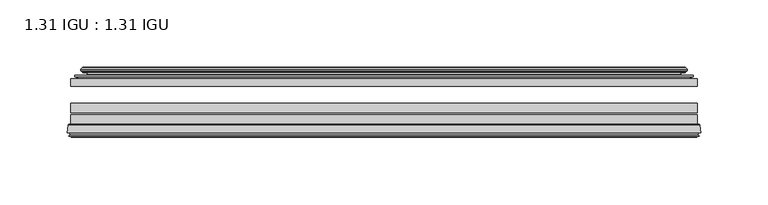
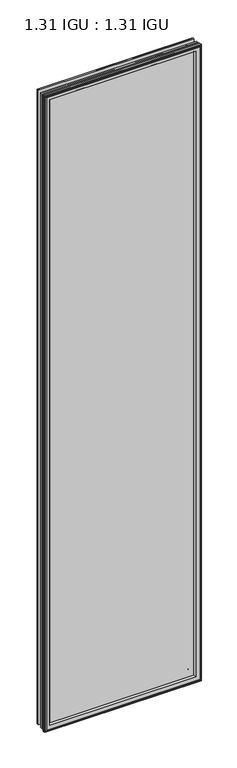
"""IFC4 building model written with IfcOpenShell, lengths in millimetres: plate geometry, 1.31 IGU : 1.31 IGU."""

import ifcopenshell
import ifcopenshell.guid

model = None  # the IFC model being written
_history = None  # IfcOwnerHistory: only IFC2X3 demands one
_inside = {}  # id of a spatial element -> (the spatial element, [elements in it])
_under = {}  # id of a project, library or spatial element -> (it, [spatial elements below it])
_declared = {}  # id of a project -> (the project, [libraries it declares])
_typed = {}  # id of a type object -> (the type object, [elements of that type])
_made_of = {}  # id of a material, layer set ... -> (it, [elements and type objects made of it])


def new_model(schema):
    """Start an empty IFC model of exactly this schema.

    Asked for "IFC4X3", IfcOpenShell would pick the latest addendum, in which some entities
    have other attributes; the version numbers below select the first issue.
    IFC2X3 requires an IfcOwnerHistory on every rooted entity: one is made here for all.
    """
    global model, _history
    if schema == "IFC4X3":
        model = ifcopenshell.file(schema_version=(4, 3, 0, 0))
    else:
        model = ifcopenshell.file(schema=schema)
    _inside.clear()
    _under.clear()
    _declared.clear()
    _typed.clear()
    _made_of.clear()
    _history = None
    if model.schema == "IFC2X3":
        org = make("IfcOrganization", Name="unknown")
        user = make(
            "IfcPersonAndOrganization",
            ThePerson=make("IfcPerson", FamilyName="unknown"),
            TheOrganization=org,
        )
        app = make(
            "IfcApplication",
            ApplicationDeveloper=org,
            Version="unknown",
            ApplicationFullName="unknown",
            ApplicationIdentifier="unknown",
        )
        _history = make(
            "IfcOwnerHistory",
            OwningUser=user,
            OwningApplication=app,
            ChangeAction="ADDED",
            CreationDate=0,
        )
    return model


def make(cls, **values):
    """One entity of the class cls with the attributes given. An attribute that is None is left unset."""
    return model.create_entity(
        cls, **{name: value for name, value in values.items() if value is not None}
    )


def rooted(cls, **values):
    """An entity with a GlobalId (a new one), such as an element, a storey or a relation."""
    return make(cls, GlobalId=ifcopenshell.guid.new(), OwnerHistory=_history, **values)


def si_unit(unit_type, name, prefix=None):
    """IfcSIUnit, for example si_unit("LENGTHUNIT", "METRE", prefix="MILLI")."""
    return make("IfcSIUnit", UnitType=unit_type, Prefix=prefix, Name=name)


def assignment(units):
    """IfcUnitAssignment: the units of a project."""
    return None if units is None else make("IfcUnitAssignment", Units=units)


def point(xyz):
    """IfcCartesianPoint."""
    return None if xyz is None else make("IfcCartesianPoint", Coordinates=xyz)


def direction(xyz):
    """IfcDirection."""
    return None if xyz is None else make("IfcDirection", DirectionRatios=xyz)


def frame(location, z_axis=None, x_axis=None):
    """IfcAxis2Placement3D, a coordinate frame: its origin and axes. An axis left out is left unset."""
    return make(
        "IfcAxis2Placement3D",
        Location=point(location),
        Axis=direction(z_axis),
        RefDirection=direction(x_axis),
    )


def origin():
    """The frame at (0, 0, 0) with its axes left unset."""
    return frame((0.0, 0.0, 0.0))


def place(relative_to, where):
    """IfcLocalPlacement: puts the frame where relative to a parent placement (None: the world)."""
    return make(
        "IfcLocalPlacement", PlacementRelTo=relative_to, RelativePlacement=where
    )


def context(
    kind, dimensions, precision=None, world=None, true_north=None, identifier=None
):
    """IfcGeometricRepresentationContext, for example the 3D "Model" context."""
    return make(
        "IfcGeometricRepresentationContext",
        ContextIdentifier=identifier,
        ContextType=kind,
        CoordinateSpaceDimension=dimensions,
        Precision=precision,
        WorldCoordinateSystem=world,
        TrueNorth=true_north,
    )


def project(units=None, contexts=None):
    """IfcProject with its units and contexts."""
    return rooted(
        "IfcProject",
        Name="project",
        RepresentationContexts=contexts,
        UnitsInContext=assignment(units),
    )


def spatial(cls, under=None, at=None, **own):
    """A site, building, storey or space (cls), placed at a placement, below another one or the project."""
    s = rooted(cls, ObjectPlacement=at, **own)
    if under is not None:
        _under.setdefault(under.id(), (under, []))[1].append(s)
    return s


def polyline(points):
    """IfcPolyline through the points."""
    return make("IfcPolyline", Points=[point(p) for p in points])


def ellipse_curve(where, semi_axis1, semi_axis2):
    """IfcEllipse in the frame where."""
    return make(
        "IfcEllipse", Position=where, SemiAxis1=semi_axis1, SemiAxis2=semi_axis2
    )


def outline(outer, holes=None, kind="AREA"):
    """IfcArbitraryClosedProfileDef: a profile drawn as a closed curve; with holes, ...WithVoids."""
    if holes is None:
        return make("IfcArbitraryClosedProfileDef", ProfileType=kind, OuterCurve=outer)
    return make(
        "IfcArbitraryProfileDefWithVoids",
        ProfileType=kind,
        OuterCurve=outer,
        InnerCurves=holes,
    )


def extrude(swept, where, along, depth):
    """IfcExtrudedAreaSolid: the profile swept, set in the frame where, extruded along a direction by depth."""
    return make(
        "IfcExtrudedAreaSolid",
        SweptArea=swept,
        Position=where,
        ExtrudedDirection=direction(along),
        Depth=depth,
    )


def shape(context_of_items, identifier, shape_type, items):
    """IfcShapeRepresentation: the items that make up one representation, for example the "Body"."""
    return make(
        "IfcShapeRepresentation",
        ContextOfItems=context_of_items,
        RepresentationIdentifier=identifier,
        RepresentationType=shape_type,
        Items=items,
    )


def source(mapping_origin, context_of_items, identifier, shape_type, items):
    """IfcRepresentationMap: a shape defined once, which mapped items show again and again."""
    return make(
        "IfcRepresentationMap",
        MappingOrigin=mapping_origin,
        MappedRepresentation=shape(context_of_items, identifier, shape_type, items),
    )


def transform(
    local_origin,
    x_axis=None,
    y_axis=None,
    z_axis=None,
    scale=None,
    scale2=None,
    scale3=None,
    uniform=True,
):
    """IfcCartesianTransformationOperator3D, or its non-uniform kind. x_axis, y_axis, z_axis: its Axis1, 2, 3."""
    if uniform:
        return make(
            "IfcCartesianTransformationOperator3D",
            Axis1=direction(x_axis),
            Axis2=direction(y_axis),
            LocalOrigin=point(local_origin),
            Scale=scale,
            Axis3=direction(z_axis),
        )
    return make(
        "IfcCartesianTransformationOperator3DnonUniform",
        Axis1=direction(x_axis),
        Axis2=direction(y_axis),
        LocalOrigin=point(local_origin),
        Scale=scale,
        Axis3=direction(z_axis),
        Scale2=scale2,
        Scale3=scale3,
    )


def mapped(mapping_source, mapping_target):
    """IfcMappedItem: shows the shape of a source again, moved by a transform."""
    return make(
        "IfcMappedItem", MappingSource=mapping_source, MappingTarget=mapping_target
    )


def made_of(thing, what):
    """Note that an element or type object is made of a material, layer set ...; save() writes the relation."""
    if what is not None:
        _made_of.setdefault(what.id(), (what, []))[1].append(thing)
    return thing


def element(
    cls,
    number,
    at=None,
    inside=None,
    cuts=None,
    type_object=None,
    material=None,
    context=None,
    identifier="Body",
    shape_type=None,
    held_by="IfcProductDefinitionShape",
    body=None,
    shapes=None,
    **own,
):
    """One element of the class cls, such as IfcWall. Its Tag is "e" and its number.

    at: its placement. inside: the storey or other place that contains it. cuts: it is an
    opening in that element (IfcRelVoidsElement). A single representation is given by context,
    identifier, shape_type and body (its items); several are given by shapes. held_by: the class
    of the entity that holds the representations. save() writes the other relations.
    """
    e = rooted(cls, Tag="e%d" % number, ObjectPlacement=at, **own)
    if body is not None:
        shapes = [shape(context, identifier, shape_type, body)]
    if shapes is not None:
        e.Representation = make(held_by, Representations=shapes)
    if inside is not None:
        _inside.setdefault(inside.id(), (inside, []))[1].append(e)
    if cuts is not None:
        rooted(
            "IfcRelVoidsElement", RelatingBuildingElement=cuts, RelatedOpeningElement=e
        )
    if type_object is not None:
        _typed.setdefault(type_object.id(), (type_object, []))[1].append(e)
    return made_of(e, material)


def aggregate(whole, parts):
    """IfcRelAggregates: a whole, such as a stair, and the parts it consists of."""
    return rooted("IfcRelAggregates", RelatingObject=whole, RelatedObjects=parts)


def save(model, path):
    """Write the relations noted so far, then the file.

    IfcRelAggregates (storeys below a building ...), IfcRelContainedInSpatialStructure (elements
    in a storey), IfcRelDefinesByType, IfcRelAssociatesMaterial and IfcRelDeclares: one each for
    every whole, place, type object, material and project.
    """
    for whole, parts in _under.values():
        aggregate(whole, parts)
    for where, things in _inside.values():
        rooted(
            "IfcRelContainedInSpatialStructure",
            RelatedElements=things,
            RelatingStructure=where,
        )
    for kind, things in _typed.values():
        rooted("IfcRelDefinesByType", RelatedObjects=things, RelatingType=kind)
    for what, things in _made_of.values():
        rooted("IfcRelAssociatesMaterial", RelatedObjects=things, RelatingMaterial=what)
    for by, libraries in _declared.values():
        rooted("IfcRelDeclares", RelatingContext=by, RelatedDefinitions=libraries)
    model.write(path)


def plane_surface(at):
    """IfcPlane: the flat surface through the origin of the frame at, square to its z axis."""
    return make("IfcPlane", Position=at)


def cylinder_surface(at, radius):
    """IfcCylindricalSurface: all points at the distance radius from the z axis of the frame at."""
    return make("IfcCylindricalSurface", Position=at, Radius=radius)


def revolved_surface(curve, axis_point, axis_direction):
    """IfcSurfaceOfRevolution: the curve turned about the line through axis_point along axis_direction."""
    return make(
        "IfcSurfaceOfRevolution",
        SweptCurve=make("IfcArbitraryOpenProfileDef", ProfileType="CURVE", Curve=curve),
        AxisPosition=make("IfcAxis1Placement", Location=point(axis_point), Axis=direction(axis_direction)),
    )


def advanced_brep(points, edges, surfaces, faces):
    """IfcAdvancedBrep: a solid bounded by faces that lie on surfaces and meet in shared edges.

    An edge is (start, end): straight between two places in points (the first is 0);
    or (start, end, curve); or (start, end, curve, False) where it runs against its curve.
    A face is (place in surfaces, loops), or (place, loops, False) where it looks against
    its surface's normal. A loop lists edges by number (the first is 1), with a minus sign
    where the edge is run from its end to its start. The first loop is the outer one.
    """
    corners = [point(p) for p in points]
    vertices = [make("IfcVertexPoint", VertexGeometry=c) for c in corners]
    made = []
    for start, end, *more in edges:
        made.append(
            make(
                "IfcEdgeCurve",
                EdgeStart=vertices[start],
                EdgeEnd=vertices[end],
                EdgeGeometry=more[0] if more else make("IfcPolyline", Points=[corners[start], corners[end]]),
                SameSense=more[1] if len(more) > 1 else True,
            )
        )
    hull = []
    for where, loops, *sense in faces:
        bounds = []
        for j, loop in enumerate(loops):
            ring = [make("IfcOrientedEdge", EdgeElement=made[abs(k) - 1], Orientation=k > 0) for k in loop]
            bounds.append(
                make(
                    "IfcFaceOuterBound" if j == 0 else "IfcFaceBound",
                    Bound=make("IfcEdgeLoop", EdgeList=ring),
                    Orientation=True,
                )
            )
        hull.append(make("IfcAdvancedFace", Bounds=bounds, FaceSurface=surfaces[where], SameSense=sense[0] if sense else True))
    return make("IfcAdvancedBrep", Outer=make("IfcClosedShell", CfsFaces=hull))


def plate_1_31_igu_1_31_igu_bfe81feb(model_context):
    return source(origin(), model_context, "Body", "SolidModel", [
        extrude(outline(polyline([(233.3575649, -44.8960875), (233.3575649, -50.4332875), (-233.3625, -50.4332875), (-233.3625, -44.8960875), (233.3575649, -44.8960875)])), frame((0.0, 0.0, -14.2875), z_axis=(0.0, 0.0, 1.0), x_axis=(1.0, 0.0, 0.0)), (0.0, 0.0, 1.0), 2009.67848),
        extrude(outline(polyline([(-233.3625, -78.7796875), (-233.3625, -71.7692875), (233.3575649, -71.7692875), (233.3575649, -78.7796875), (-233.3625, -78.7796875)])), frame((0.0, 0.0, -14.2875), z_axis=(0.0, 0.0, 1.0), x_axis=(1.0, 0.0, 0.0)), (0.0, 0.0, 1.0), 2009.67848),
        extrude(outline(polyline([(-233.3625, -70.2452875), (-233.3625, -63.1332875), (233.3575649, -63.1332875), (233.3575649, -70.2452875), (-233.3625, -70.2452875)])), frame((0.0, 0.0, -14.2875), z_axis=(0.0, 0.0, 1.0), x_axis=(1.0, 0.0, 0.0)), (0.0, 0.0, 1.0), 2009.67848),
        advanced_brep(
        [(-235.9094039, -85.1296875, 1997.9378839), (-235.2146201, -79.4711276, 1997.2431001), (-235.2146201, -79.4711276, -16.1396201), (-235.9094039, -85.1296875, -16.8344039), (-233.5218039, -87.1207518, 1995.5502839), (-233.9790039, -85.1296875, 1996.0074839), (-233.9790039, -85.1296875, -14.9040039), (-233.5218039, -87.1207518, -14.4468039), (-234.5231658, -86.8524376, 1996.5516458), (-234.5231658, -86.8524376, -15.4481658), (-234.7664039, -87.7602147, 1996.7948839), (-234.7664039, -87.7602147, -15.6914039), (-232.7344039, -88.3046875, 1994.7628839), (-232.7344039, -88.3046875, -13.6594039), (-230.7024039, -87.7602147, 1992.7308839), (-230.7024039, -87.7602147, -11.6274039), (-230.9456421, -86.8524376, 1992.9741221), (-230.9456421, -86.8524376, -11.8706421), (-231.9470039, -87.1207518, 1993.9754839), (-231.9470039, -87.1207518, -12.8720039), (-231.4898039, -85.1296875, 1993.5182839), (-231.4898039, -85.1296875, -12.4148039), (-234.4330893, -78.7796875, 1996.4615693), (-234.4330893, -78.7796875, -15.3580893), (235.2146201, -79.4711276, -16.1396201), (235.9094039, -85.1296875, -16.8344039), (233.9790039, -85.1296875, -14.9040039), (233.5218039, -87.1207518, -14.4468039), (234.5231658, -86.8524376, -15.4481658), (234.7664039, -87.7602147, -15.6914039), (232.7344039, -88.3046875, -13.6594039), (230.7024039, -87.7602147, -11.6274039), (230.9456421, -86.8524376, -11.8706421), (231.9470039, -87.1207518, -12.8720039), (231.4898039, -85.1296875, -12.4148039), (234.4330893, -78.7796875, -15.3580893), (235.2146201, -79.4711276, 1997.2431001), (235.9094039, -85.1296875, 1997.9378839), (233.9790039, -85.1296875, 1996.0074839), (233.5218039, -87.1207518, 1995.5502839), (234.5231658, -86.8524376, 1996.5516458), (234.7664039, -87.7602147, 1996.7948839), (232.7344039, -88.3046875, 1994.7628839), (230.7024039, -87.7602147, 1992.7308839), (230.9456421, -86.8524376, 1992.9741221), (231.9470039, -87.1207518, 1993.9754839), (231.4898039, -85.1296875, 1993.5182839), (234.4330893, -78.7796875, 1996.4615693), (-219.0872131, -85.1296875, 1981.1156931), (219.0872131, -85.1296875, 1981.1156931), (219.0872131, -85.1296875, -0.0122131), (-219.0872131, -85.1296875, -0.0122131), (-215.7709362, -78.7796875, 3.3040638), (215.7709362, -78.7796875, 3.3040638), (215.7709362, -78.7796875, 1977.7994162), (-215.7709362, -78.7796875, 1977.7994162)],
        [
            (0, 1),
            (1, 2),
            (2, 3),
            (3, 0),
            (4, 5),
            (5, 6),
            (6, 7),
            (7, 4),
            (8, 4),
            (7, 9),
            (9, 8),
            (10, 8),
            (9, 11),
            (11, 10),
            (12, 10),
            (11, 13),
            (13, 12),
            (14, 12),
            (13, 15),
            (15, 14),
            (16, 14),
            (15, 17),
            (17, 16),
            (18, 16),
            (17, 19),
            (19, 18),
            (20, 18),
            (19, 21),
            (21, 20),
            (1, 22, ellipse_curve(frame((-234.4330893, -79.5670875, 1996.4615693), z_axis=(-0.7071067811865475, 0.0, -0.7071067811865475), x_axis=(-0.7071067811865474, 0.0, 0.7071067811865476)), 1.1135518, 0.7874)),
            (22, 23),
            (23, 2, ellipse_curve(frame((-234.4330893, -79.5670875, -15.3580893), z_axis=(-0.7071067811865475, 0.0, 0.7071067811865475), x_axis=(0.7071067811865474, 0.0, 0.7071067811865476)), 1.1135518, 0.7874)),
            (2, 24),
            (24, 25),
            (25, 3),
            (6, 26),
            (26, 27),
            (27, 7),
            (27, 28),
            (28, 9),
            (28, 29),
            (29, 11),
            (29, 30),
            (30, 13),
            (30, 31),
            (31, 15),
            (31, 32),
            (32, 17),
            (32, 33),
            (33, 19),
            (33, 34),
            (34, 21),
            (23, 35),
            (35, 24, ellipse_curve(frame((234.4330893, -79.5670875, -15.3580893), z_axis=(-0.7071067811865475, 0.0, -0.7071067811865475), x_axis=(-0.7071067811865476, 0.0, 0.7071067811865474)), 1.1135518, 0.7874)),
            (24, 36),
            (36, 37),
            (37, 25),
            (26, 38),
            (38, 39),
            (39, 27),
            (39, 40),
            (40, 28),
            (40, 41),
            (41, 29),
            (41, 42),
            (42, 30),
            (42, 43),
            (43, 31),
            (43, 44),
            (44, 32),
            (44, 45),
            (45, 33),
            (45, 46),
            (46, 34),
            (35, 47),
            (47, 36, ellipse_curve(frame((234.4330893, -79.5670875, 1996.4615693), z_axis=(0.7071067811865475, 0.0, -0.7071067811865475), x_axis=(-0.7071067811865474, 0.0, -0.7071067811865476)), 1.1135518, 0.7874)),
            (36, 1),
            (0, 37),
            (5, 38),
            (4, 39),
            (8, 40),
            (10, 41),
            (12, 42),
            (14, 43),
            (16, 44),
            (18, 45),
            (20, 46),
            (48, 49),
            (49, 50),
            (50, 51),
            (51, 48),
            (22, 47),
            (52, 53),
            (53, 54),
            (54, 55),
            (55, 52),
            (55, 48, ellipse_curve(frame((-207.8379182, -86.963653, 1969.8663982), z_axis=(0.7071067811865475, 0.0, 0.7071067811865475), x_axis=(0.7071067811865474, 0.0, -0.7071067811865476)), 16.118937, 11.3978097)),
            (51, 52, ellipse_curve(frame((-207.8379182, -86.963653, 11.2370818), z_axis=(0.7071067811865475, 0.0, -0.7071067811865475), x_axis=(-0.7071067811865474, 0.0, -0.7071067811865476)), 16.118937, 11.3978097)),
            (50, 53, ellipse_curve(frame((207.8379182, -86.963653, 11.2370818), z_axis=(0.7071067811865475, 0.0, 0.7071067811865475), x_axis=(0.7071067811865476, 0.0, -0.7071067811865474)), 16.118937, 11.3978097)),
            (49, 54, ellipse_curve(frame((207.8379182, -86.963653, 1969.8663982), z_axis=(-0.7071067811865475, 0.0, 0.7071067811865475), x_axis=(0.7071067811865474, 0.0, 0.7071067811865476)), 16.118937, 11.3978097)),
        ],
        [
            plane_surface(frame((-235.2146201, -79.4711276, 1997.2431001), z_axis=(-0.9925461516413008, 0.12186934340532068, 0.0), x_axis=(0.0, 0.0, -1.0))),
            plane_surface(frame((-233.9790039, -85.1296875, 1996.0074839), z_axis=(-0.9746347637895997, -0.22380142361654332, 0.0), x_axis=(0.0, 0.0, -1.0))),
            plane_surface(frame((-233.5218039, -87.1207518, 1995.5502839), z_axis=(0.25881904510266784, 0.9659258262890289, 0.0), x_axis=(0.0, 0.0, -1.0))),
            plane_surface(frame((-234.5231658, -86.8524376, 1996.5516458), z_axis=(-0.9659258262890449, 0.2588190451026083, 0.0), x_axis=(0.0, 0.0, -1.0))),
            plane_surface(frame((-234.7664039, -87.7602147, 1996.7948839), z_axis=(-0.2588190451025689, -0.9659258262890554, 0.0), x_axis=(0.0, 0.0, -1.0))),
            plane_surface(frame((-232.7344039, -88.3046875, 1994.7628839), z_axis=(0.25881904510241466, -0.9659258262890968, 0.0), x_axis=(0.0, 0.0, -1.0))),
            plane_surface(frame((-230.7024039, -87.7602147, 1992.7308839), z_axis=(0.9659258262890272, 0.25881904510267406, 0.0), x_axis=(0.0, 0.0, -1.0))),
            plane_surface(frame((-230.9456421, -86.8524376, 1992.9741221), z_axis=(-0.25881904510234177, 0.9659258262891163, 0.0), x_axis=(0.0, 0.0, -1.0))),
            plane_surface(frame((-231.9470039, -87.1207518, 1993.9754839), z_axis=(0.9746347637895936, -0.2238014236165695, 0.0), x_axis=(0.0, 0.0, -1.0))),
            cylinder_surface(frame((-234.4330893, -79.5670875, 2012.85348), z_axis=(0.0, 0.0, 1.0), x_axis=(-1.0, 0.0, 0.0)), 0.7874),
            plane_surface(frame((-235.2146201, -79.4711276, -16.1396201), z_axis=(0.0, 0.12186934340531747, -0.9925461516413012), x_axis=(1.0, 0.0, 0.0))),
            plane_surface(frame((-233.9790039, -85.1296875, -14.9040039), z_axis=(0.0, -0.22380142361654648, -0.9746347637895989), x_axis=(1.0, 0.0, 0.0))),
            plane_surface(frame((-233.5218039, -87.1207518, -14.4468039), z_axis=(0.0, 0.9659258262890298, 0.25881904510266474), x_axis=(1.0, 0.0, 0.0))),
            plane_surface(frame((-234.5231658, -86.8524376, -15.4481658), z_axis=(0.0, 0.25881904510260517, -0.9659258262890458), x_axis=(1.0, 0.0, 0.0))),
            plane_surface(frame((-234.7664039, -87.7602147, -15.6914039), z_axis=(0.0, -0.9659258262890563, -0.2588190451025658), x_axis=(1.0, 0.0, 0.0))),
            plane_surface(frame((-232.7344039, -88.3046875, -13.6594039), z_axis=(0.0, -0.965925826289096, 0.25881904510241777), x_axis=(1.0, 0.0, 0.0))),
            plane_surface(frame((-230.7024039, -87.7602147, -11.6274039), z_axis=(0.0, 0.2588190451026772, 0.9659258262890265), x_axis=(1.0, 0.0, 0.0))),
            plane_surface(frame((-230.9456421, -86.8524376, -11.8706421), z_axis=(0.0, 0.9659258262891154, -0.2588190451023449), x_axis=(1.0, 0.0, 0.0))),
            plane_surface(frame((-231.9470039, -87.1207518, -12.8720039), z_axis=(0.0, -0.22380142361656633, 0.9746347637895943), x_axis=(1.0, 0.0, 0.0))),
            cylinder_surface(frame((-250.825, -79.5670875, -15.3580893), z_axis=(-1.0, 0.0, 0.0), x_axis=(0.0, 0.0, -1.0)), 0.7874),
            plane_surface(frame((235.2146201, -79.4711276, -16.1396201), z_axis=(0.9925461516413017, 0.12186934340531425, 0.0), x_axis=(0.0, 0.0, 1.0))),
            plane_surface(frame((233.9790039, -85.1296875, -14.9040039), z_axis=(0.9746347637895981, -0.22380142361654964, 0.0), x_axis=(0.0, 0.0, 1.0))),
            plane_surface(frame((233.5218039, -87.1207518, -14.4468039), z_axis=(-0.2588190451026616, 0.9659258262890307, 0.0), x_axis=(0.0, 0.0, 1.0))),
            plane_surface(frame((234.5231658, -86.8524376, -15.4481658), z_axis=(0.9659258262890467, 0.25881904510260206, 0.0), x_axis=(0.0, 0.0, 1.0))),
            plane_surface(frame((234.7664039, -87.7602147, -15.6914039), z_axis=(0.2588190451025627, -0.9659258262890572, 0.0), x_axis=(0.0, 0.0, 1.0))),
            plane_surface(frame((232.7344039, -88.3046875, -13.6594039), z_axis=(-0.2588190451024209, -0.9659258262890951, 0.0), x_axis=(0.0, 0.0, 1.0))),
            plane_surface(frame((230.7024039, -87.7602147, -11.6274039), z_axis=(-0.9659258262890256, 0.25881904510268033, 0.0), x_axis=(0.0, 0.0, 1.0))),
            plane_surface(frame((230.9456421, -86.8524376, -11.8706421), z_axis=(0.25881904510234804, 0.9659258262891146, 0.0), x_axis=(0.0, 0.0, 1.0))),
            plane_surface(frame((231.9470039, -87.1207518, -12.8720039), z_axis=(-0.9746347637895951, -0.22380142361656316, 0.0), x_axis=(0.0, 0.0, 1.0))),
            cylinder_surface(frame((234.4330893, -79.5670875, -31.75), z_axis=(0.0, 0.0, -1.0), x_axis=(1.0, 0.0, 0.0)), 0.7874),
            plane_surface(frame((235.2146201, -79.4711276, 1997.2431001), z_axis=(0.0, 0.12186934340531747, 0.9925461516413012), x_axis=(-1.0, 0.0, 0.0))),
            plane_surface(frame((235.9094039, -85.1296875, 1997.9378839), z_axis=(0.0, -1.0, 0.0), x_axis=(-1.0, 0.0, 0.0))),
            plane_surface(frame((233.9790039, -85.1296875, 1996.0074839), z_axis=(0.0, -0.22380142361654648, 0.9746347637895989), x_axis=(-1.0, 0.0, 0.0))),
            plane_surface(frame((233.5218039, -87.1207518, 1995.5502839), z_axis=(0.0, 0.9659258262890298, -0.25881904510266474), x_axis=(-1.0, 0.0, 0.0))),
            plane_surface(frame((234.5231658, -86.8524376, 1996.5516458), z_axis=(0.0, 0.25881904510260517, 0.9659258262890458), x_axis=(-1.0, 0.0, 0.0))),
            plane_surface(frame((234.7664039, -87.7602147, 1996.7948839), z_axis=(0.0, -0.9659258262890563, 0.2588190451025658), x_axis=(-1.0, 0.0, 0.0))),
            plane_surface(frame((232.7344039, -88.3046875, 1994.7628839), z_axis=(0.0, -0.965925826289096, -0.25881904510241777), x_axis=(-1.0, 0.0, 0.0))),
            plane_surface(frame((230.7024039, -87.7602147, 1992.7308839), z_axis=(0.0, 0.2588190451026772, -0.9659258262890265), x_axis=(-1.0, 0.0, 0.0))),
            plane_surface(frame((230.9456421, -86.8524376, 1992.9741221), z_axis=(0.0, 0.9659258262891155, 0.25881904510234494), x_axis=(-1.0, 0.0, 0.0))),
            plane_surface(frame((231.9470039, -87.1207518, 1993.9754839), z_axis=(0.0, -0.22380142361656633, -0.9746347637895943), x_axis=(-1.0, 0.0, 0.0))),
            plane_surface(frame((231.4898039, -85.1296875, 1993.5182839), z_axis=(0.0, -1.0, 0.0), x_axis=(-1.0, 0.0, 0.0))),
            plane_surface(frame((215.7709362, -78.7796875, 1977.7994162), z_axis=(0.0, 1.0, 0.0), x_axis=(-1.0, 0.0, 0.0))),
            cylinder_surface(frame((250.825, -79.5670875, 1996.4615693), z_axis=(1.0, 0.0, 0.0), x_axis=(0.0, 0.0, 1.0)), 0.7874),
            revolved_surface(polyline([(-219.2357279, -86.963653, -0.1607278582187064), (-219.2357279, -86.963653, 1981.2642078582187)]), (-207.8379182, -86.963653, 2012.85348), (0.0, 0.0, -1.0)),
            revolved_surface(polyline([(219.23572785821875, -86.963653, -0.16072789999999948), (-219.23572785821872, -86.963653, -0.16072789999999948)]), (-250.825, -86.963653, 11.2370818), (1.0, 0.0, 0.0)),
            revolved_surface(polyline([(219.2357279, -86.963653, 1981.2642078582187), (219.2357279, -86.963653, -0.16072785821874191)]), (207.8379182, -86.963653, -31.75), (0.0, 0.0, 1.0)),
            revolved_surface(polyline([(-219.23572785821875, -86.963653, 1981.2642079), (219.23572785821872, -86.963653, 1981.2642079)]), (250.825, -86.963653, 1969.8663982), (-1.0, 0.0, 0.0)),
        ],
        [
            (0, [[1, 2, 3, 4]]),
            (1, [[5, 6, 7, 8]]),
            (2, [[9, -8, 10, 11]]),
            (3, [[12, -11, 13, 14]]),
            (4, [[15, -14, 16, 17]]),
            (5, [[18, -17, 19, 20]]),
            (6, [[21, -20, 22, 23]]),
            (7, [[24, -23, 25, 26]]),
            (8, [[27, -26, 28, 29]]),
            (9, [[30, 31, 32, -2]]),
            (10, [[-3, 33, 34, 35]]),
            (11, [[-7, 36, 37, 38]]),
            (12, [[-10, -38, 39, 40]]),
            (13, [[-13, -40, 41, 42]]),
            (14, [[-16, -42, 43, 44]]),
            (15, [[-19, -44, 45, 46]]),
            (16, [[-22, -46, 47, 48]]),
            (17, [[-25, -48, 49, 50]]),
            (18, [[-28, -50, 51, 52]]),
            (19, [[-32, 53, 54, -33]]),
            (20, [[-34, 55, 56, 57]]),
            (21, [[-37, 58, 59, 60]]),
            (22, [[-39, -60, 61, 62]]),
            (23, [[-41, -62, 63, 64]]),
            (24, [[-43, -64, 65, 66]]),
            (25, [[-45, -66, 67, 68]]),
            (26, [[-47, -68, 69, 70]]),
            (27, [[-49, -70, 71, 72]]),
            (28, [[-51, -72, 73, 74]]),
            (29, [[-54, 75, 76, -55]]),
            (30, [[-56, 77, -1, 78]]),
            (31, [[-35, -57, -78, -4], [79, -58, -36, -6]]),
            (32, [[-59, -79, -5, 80]]),
            (33, [[-61, -80, -9, 81]]),
            (34, [[-63, -81, -12, 82]]),
            (35, [[-65, -82, -15, 83]]),
            (36, [[-67, -83, -18, 84]]),
            (37, [[-69, -84, -21, 85]]),
            (38, [[-71, -85, -24, 86]]),
            (39, [[-73, -86, -27, 87]]),
            (40, [[-52, -74, -87, -29], [88, 89, 90, 91]]),
            (41, [[92, -75, -53, -31], [93, 94, 95, 96]]),
            (42, [[-76, -92, -30, -77]]),
            (43, [[97, -91, 98, -96]]),
            (44, [[-98, -90, 99, -93]]),
            (45, [[-99, -89, 100, -94]]),
            (46, [[-100, -88, -97, -95]]),
        ],
    ),
        advanced_brep(
        [(-224.0171755, -37.7373382, 1986.0456555), (-219.0755426, -36.3108875, 1981.1040226), (-219.0755426, -36.3108875, -0.0005426), (-224.0171755, -37.7373382, -4.9421755), (-223.8520702, -36.9605789, 1985.8805502), (-223.8520702, -36.9605789, -4.7770702), (-224.4475559, -36.4771203, 1986.4760359), (-224.4475559, -36.4771203, -5.3725559), (-225.7121917, -37.766076, 1987.7406717), (-225.7121917, -37.766076, -6.6371917), (-225.7013749, -38.8797852, 1987.7298549), (-225.7013749, -38.8797852, -6.6263749), (-224.4198897, -40.1361433, 1986.4483697), (-224.4198897, -40.1361433, -5.3448897), (-223.8148829, -39.649943, 1985.8433629), (-223.8148829, -39.649943, -4.7398829), (-224.3688972, -39.0959287, 1986.3973772), (-224.3688972, -39.0959287, -5.2938972), (-222.0830887, -38.7029881, 1984.1115687), (-222.0830887, -38.7029881, -3.0080887), (-220.6240157, -40.2107282, 1982.6524957), (-220.6240157, -40.2107282, -1.5490157), (-220.9205976, -41.651269, 1982.9490776), (-220.9205976, -41.651269, -1.8455976), (-221.6918221, -42.2798875, 1983.7203021), (-221.6918221, -42.2798875, -2.6168221), (-229.9957984, -43.4871542, 1992.0242784), (-229.7205969, -42.2798875, 1991.7490769), (-229.7205969, -42.2798875, -10.6455969), (-229.9957984, -43.4871542, -10.9207984), (-226.5382297, -44.8960875, 1988.5667097), (-226.5382297, -44.8960875, -7.4632297), (-215.4406059, -44.023302, 1977.4690859), (-215.7959439, -44.8960875, 1977.8244239), (-215.7959439, -44.8960875, 3.2790561), (-215.4406059, -44.023302, 3.6343941), (-216.111804, -43.3681812, 1978.140284), (-216.111804, -43.3681812, 2.963196), (-217.7525946, -40.6686056, 1979.7810746), (-217.7525946, -40.6686056, 1.3224054), (219.0755426, -36.3108875, -0.0005426), (224.0171755, -37.7373382, -4.9421755), (223.8520702, -36.9605789, -4.7770702), (224.4475559, -36.4771203, -5.3725559), (225.7121917, -37.766076, -6.6371917), (225.7013749, -38.8797852, -6.6263749), (224.4198897, -40.1361433, -5.3448897), (223.8148829, -39.649943, -4.7398829), (224.3688972, -39.0959287, -5.2938972), (222.0830887, -38.7029881, -3.0080887), (220.6240157, -40.2107282, -1.5490157), (220.9205976, -41.651269, -1.8455976), (221.6918221, -42.2798875, -2.6168221), (229.7205969, -42.2798875, -10.6455969), (229.9957984, -43.4871542, -10.9207984), (226.5382297, -44.8960875, -7.4632297), (215.7959439, -44.8960875, 3.2790561), (215.4406059, -44.023302, 3.6343941), (216.111804, -43.3681812, 2.963196), (217.7525946, -40.6686056, 1.3224054), (219.0755426, -36.3108875, 1981.1040226), (224.0171755, -37.7373382, 1986.0456555), (223.8520702, -36.9605789, 1985.8805502), (224.4475559, -36.4771203, 1986.4760359), (225.7121917, -37.766076, 1987.7406717), (225.7013749, -38.8797852, 1987.7298549), (224.4198897, -40.1361433, 1986.4483697), (223.8148829, -39.649943, 1985.8433629), (224.3688972, -39.0959287, 1986.3973772), (222.0830887, -38.7029881, 1984.1115687), (220.6240157, -40.2107282, 1982.6524957), (220.9205976, -41.651269, 1982.9490776), (221.6918221, -42.2798875, 1983.7203021), (229.7205969, -42.2798875, 1991.7490769), (229.9957984, -43.4871542, 1992.0242784), (226.5382297, -44.8960875, 1988.5667097), (215.7959439, -44.8960875, 1977.8244239), (215.4406059, -44.023302, 1977.4690859), (216.111804, -43.3681812, 1978.140284), (217.7525946, -40.6686056, 1979.7810746)],
        [
            (0, 1),
            (1, 2),
            (2, 3),
            (3, 0),
            (4, 0),
            (3, 5),
            (5, 4),
            (6, 4, ellipse_curve(frame((-224.1725871, -36.746901, 1986.2010671), z_axis=(-0.7071067811865475, 0.0, -0.7071067811865475), x_axis=(-0.7071067811865474, 0.0, 0.7071067811865476)), 0.5447741, 0.3852135)),
            (5, 7, ellipse_curve(frame((-224.1725871, -36.746901, -5.0975871), z_axis=(-0.7071067811865475, 0.0, 0.7071067811865475), x_axis=(0.7071067811865474, 0.0, 0.7071067811865476)), 0.5447741, 0.3852135)),
            (7, 6),
            (8, 6),
            (7, 9),
            (9, 8),
            (10, 8, ellipse_curve(frame((-225.1501387, -38.3175243, 1987.1786187), z_axis=(-0.7071067811865475, 0.0, -0.7071067811865475), x_axis=(-0.7071067811865474, 0.0, 0.7071067811865476)), 1.1135518, 0.7874)),
            (9, 11, ellipse_curve(frame((-225.1501387, -38.3175243, -6.0751387), z_axis=(-0.7071067811865475, 0.0, 0.7071067811865475), x_axis=(0.7071067811865474, 0.0, 0.7071067811865476)), 1.1135518, 0.7874)),
            (11, 10),
            (12, 10),
            (11, 13),
            (13, 12),
            (14, 12, ellipse_curve(frame((-224.1462922, -39.8570738, 1986.1747722), z_axis=(-0.7071067811865475, 0.0, -0.7071067811865475), x_axis=(-0.7071067811865474, 0.0, 0.7071067811865476)), 0.552694, 0.3908137)),
            (13, 15, ellipse_curve(frame((-224.1462922, -39.8570738, -5.0712922), z_axis=(-0.7071067811865475, 0.0, 0.7071067811865475), x_axis=(0.7071067811865474, 0.0, 0.7071067811865476)), 0.552694, 0.3908137)),
            (15, 14),
            (16, 14),
            (15, 17),
            (17, 16),
            (18, 16),
            (17, 19),
            (19, 18),
            (20, 18, ellipse_curve(frame((-221.8679261, -39.954629, 1983.8964061), z_axis=(0.7071067811865475, 0.0, 0.7071067811865475), x_axis=(0.7071067811865474, 0.0, -0.7071067811865476)), 1.7960512, 1.27)),
            (19, 21, ellipse_curve(frame((-221.8679261, -39.954629, -2.7929261), z_axis=(0.7071067811865475, 0.0, -0.7071067811865475), x_axis=(-0.7071067811865474, 0.0, -0.7071067811865476)), 1.7960512, 1.27)),
            (21, 20),
            (22, 20),
            (21, 23),
            (23, 22),
            (24, 22, ellipse_curve(frame((-221.6918221, -41.4924875, 1983.7203021), z_axis=(0.7071067811865475, 0.0, 0.7071067811865475), x_axis=(0.7071067811865474, 0.0, -0.7071067811865476)), 1.1135518, 0.7874)),
            (23, 25, ellipse_curve(frame((-221.6918221, -41.4924875, -2.6168221), z_axis=(0.7071067811865475, 0.0, -0.7071067811865475), x_axis=(-0.7071067811865474, 0.0, -0.7071067811865476)), 1.1135518, 0.7874)),
            (25, 24),
            (26, 27, ellipse_curve(frame((-229.7205969, -42.9148875, 1991.7490769), z_axis=(-0.7071067811865475, 0.0, -0.7071067811865475), x_axis=(-0.7071067811865474, 0.0, 0.7071067811865476)), 0.8980256, 0.635)),
            (27, 28),
            (28, 29, ellipse_curve(frame((-229.7205969, -42.9148875, -10.6455969), z_axis=(-0.7071067811865475, 0.0, 0.7071067811865475), x_axis=(0.7071067811865474, 0.0, 0.7071067811865476)), 0.8980256, 0.635)),
            (29, 26),
            (30, 26),
            (29, 31),
            (31, 30),
            (32, 33, ellipse_curve(frame((-215.7959439, -44.3873602, 1977.8244239), z_axis=(-0.7071067811865475, 0.0, -0.7071067811865475), x_axis=(-0.7071067811865474, 0.0, 0.7071067811865476)), 0.719449, 0.5087273)),
            (33, 34),
            (34, 35, ellipse_curve(frame((-215.7959439, -44.3873602, 3.2790561), z_axis=(-0.7071067811865475, 0.0, 0.7071067811865475), x_axis=(0.7071067811865474, 0.0, 0.7071067811865476)), 0.719449, 0.5087273)),
            (35, 32),
            (36, 32),
            (35, 37),
            (37, 36),
            (38, 36, ellipse_curve(frame((-211.6764298, -38.823959, 1973.7049098), z_axis=(0.7071067811865475, 0.0, 0.7071067811865475), x_axis=(0.7071067811865474, 0.0, -0.7071067811865476)), 8.9802561, 6.35)),
            (37, 39, ellipse_curve(frame((-211.6764298, -38.823959, 7.3985702), z_axis=(0.7071067811865475, 0.0, -0.7071067811865475), x_axis=(-0.7071067811865474, 0.0, -0.7071067811865476)), 8.9802561, 6.35)),
            (39, 38),
            (1, 38),
            (39, 2),
            (2, 40),
            (40, 41),
            (41, 3),
            (41, 42),
            (42, 5),
            (42, 43, ellipse_curve(frame((224.1725871, -36.746901, -5.0975871), z_axis=(-0.7071067811865475, 0.0, -0.7071067811865475), x_axis=(-0.7071067811865476, 0.0, 0.7071067811865474)), 0.5447741, 0.3852135)),
            (43, 7),
            (43, 44),
            (44, 9),
            (44, 45, ellipse_curve(frame((225.1501387, -38.3175243, -6.0751387), z_axis=(-0.7071067811865475, 0.0, -0.7071067811865475), x_axis=(-0.7071067811865476, 0.0, 0.7071067811865474)), 1.1135518, 0.7874)),
            (45, 11),
            (45, 46),
            (46, 13),
            (46, 47, ellipse_curve(frame((224.1462922, -39.8570738, -5.0712922), z_axis=(-0.7071067811865475, 0.0, -0.7071067811865475), x_axis=(-0.7071067811865476, 0.0, 0.7071067811865474)), 0.552694, 0.3908137)),
            (47, 15),
            (47, 48),
            (48, 17),
            (48, 49),
            (49, 19),
            (49, 50, ellipse_curve(frame((221.8679261, -39.954629, -2.7929261), z_axis=(0.7071067811865475, 0.0, 0.7071067811865475), x_axis=(0.7071067811865476, 0.0, -0.7071067811865474)), 1.7960512, 1.27)),
            (50, 21),
            (50, 51),
            (51, 23),
            (51, 52, ellipse_curve(frame((221.6918221, -41.4924875, -2.6168221), z_axis=(0.7071067811865475, 0.0, 0.7071067811865475), x_axis=(0.7071067811865476, 0.0, -0.7071067811865474)), 1.1135518, 0.7874)),
            (52, 25),
            (28, 53),
            (53, 54, ellipse_curve(frame((229.7205969, -42.9148875, -10.6455969), z_axis=(-0.7071067811865475, 0.0, -0.7071067811865475), x_axis=(-0.7071067811865476, 0.0, 0.7071067811865474)), 0.8980256, 0.635)),
            (54, 29),
            (54, 55),
            (55, 31),
            (34, 56),
            (56, 57, ellipse_curve(frame((215.7959439, -44.3873602, 3.2790561), z_axis=(-0.7071067811865475, 0.0, -0.7071067811865475), x_axis=(-0.7071067811865476, 0.0, 0.7071067811865474)), 0.719449, 0.5087273)),
            (57, 35),
            (57, 58),
            (58, 37),
            (58, 59, ellipse_curve(frame((211.6764298, -38.823959, 7.3985702), z_axis=(0.7071067811865475, 0.0, 0.7071067811865475), x_axis=(0.7071067811865476, 0.0, -0.7071067811865474)), 8.9802561, 6.35)),
            (59, 39),
            (59, 40),
            (40, 60),
            (60, 61),
            (61, 41),
            (61, 62),
            (62, 42),
            (62, 63, ellipse_curve(frame((224.1725871, -36.746901, 1986.2010671), z_axis=(0.7071067811865475, 0.0, -0.7071067811865475), x_axis=(-0.7071067811865474, 0.0, -0.7071067811865476)), 0.5447741, 0.3852135)),
            (63, 43),
            (63, 64),
            (64, 44),
            (64, 65, ellipse_curve(frame((225.1501387, -38.3175243, 1987.1786187), z_axis=(0.7071067811865475, 0.0, -0.7071067811865475), x_axis=(-0.7071067811865474, 0.0, -0.7071067811865476)), 1.1135518, 0.7874)),
            (65, 45),
            (65, 66),
            (66, 46),
            (66, 67, ellipse_curve(frame((224.1462922, -39.8570738, 1986.1747722), z_axis=(0.7071067811865475, 0.0, -0.7071067811865475), x_axis=(-0.7071067811865474, 0.0, -0.7071067811865476)), 0.552694, 0.3908137)),
            (67, 47),
            (67, 68),
            (68, 48),
            (68, 69),
            (69, 49),
            (69, 70, ellipse_curve(frame((221.8679261, -39.954629, 1983.8964061), z_axis=(-0.7071067811865475, 0.0, 0.7071067811865475), x_axis=(0.7071067811865474, 0.0, 0.7071067811865476)), 1.7960512, 1.27)),
            (70, 50),
            (70, 71),
            (71, 51),
            (71, 72, ellipse_curve(frame((221.6918221, -41.4924875, 1983.7203021), z_axis=(-0.7071067811865475, 0.0, 0.7071067811865475), x_axis=(0.7071067811865474, 0.0, 0.7071067811865476)), 1.1135518, 0.7874)),
            (72, 52),
            (53, 73),
            (73, 74, ellipse_curve(frame((229.7205969, -42.9148875, 1991.7490769), z_axis=(0.7071067811865475, 0.0, -0.7071067811865475), x_axis=(-0.7071067811865474, 0.0, -0.7071067811865476)), 0.8980256, 0.635)),
            (74, 54),
            (74, 75),
            (75, 55),
            (56, 76),
            (76, 77, ellipse_curve(frame((215.7959439, -44.3873602, 1977.8244239), z_axis=(0.7071067811865475, 0.0, -0.7071067811865475), x_axis=(-0.7071067811865474, 0.0, -0.7071067811865476)), 0.719449, 0.5087273)),
            (77, 57),
            (77, 78),
            (78, 58),
            (78, 79, ellipse_curve(frame((211.6764298, -38.823959, 1973.7049098), z_axis=(-0.7071067811865475, 0.0, 0.7071067811865475), x_axis=(0.7071067811865474, 0.0, 0.7071067811865476)), 8.9802561, 6.35)),
            (79, 59),
            (79, 60),
            (60, 1),
            (0, 61),
            (4, 62),
            (6, 63),
            (8, 64),
            (10, 65),
            (12, 66),
            (14, 67),
            (16, 68),
            (18, 69),
            (20, 70),
            (22, 71),
            (24, 72),
            (27, 73),
            (26, 74),
            (30, 75),
            (33, 76),
            (32, 77),
            (36, 78),
            (38, 79),
        ],
        [
            plane_surface(frame((-219.0755426, -36.3108875, 1981.1040226), z_axis=(-0.27733649284928463, 0.9607728502273879, 0.0), x_axis=(0.0, 0.0, -1.0))),
            plane_surface(frame((-224.0171755, -37.7373382, 1986.0456555), z_axis=(0.9781476007338358, -0.2079116908176177, 0.0), x_axis=(0.0, 0.0, -1.0))),
            cylinder_surface(frame((-224.1725871, -36.746901, 2012.85348), z_axis=(0.0, 0.0, 1.0), x_axis=(-1.0, 0.0, 0.0)), 0.3852135),
            plane_surface(frame((-224.4475559, -36.4771203, 1986.4760359), z_axis=(-0.7138087599382162, 0.7003406701280928, 0.0), x_axis=(0.0, 0.0, -1.0))),
            cylinder_surface(frame((-225.1501387, -38.3175243, 2012.85348), z_axis=(0.0, 0.0, 1.0), x_axis=(-1.0, 0.0, 0.0)), 0.7874),
            plane_surface(frame((-225.7013749, -38.8797852, 1987.7298549), z_axis=(-0.7000714109283732, -0.7140728391423082, 0.0), x_axis=(0.0, 0.0, -1.0))),
            cylinder_surface(frame((-224.1462922, -39.8570738, 2012.85348), z_axis=(0.0, 0.0, 1.0), x_axis=(-1.0, 0.0, 0.0)), 0.3908137),
            plane_surface(frame((-223.8148829, -39.649943, 1985.8433629), z_axis=(0.7071067811861126, 0.7071067811869826, 0.0), x_axis=(0.0, 0.0, -1.0))),
            plane_surface(frame((-224.3688972, -39.0959287, 1986.3973772), z_axis=(0.16941940671011482, -0.9855440449974789, 0.0), x_axis=(0.0, 0.0, -1.0))),
            revolved_surface(polyline([(-223.13792610000002, -39.954629, -4.062926082878221), (-223.13792610000002, -39.954629, 1985.1664060828782)]), (-221.8679261, -39.954629, 2012.85348), (0.0, 0.0, -1.0)),
            plane_surface(frame((-220.6240157, -40.2107282, 1982.6524957), z_axis=(-0.9794570432566897, 0.201652920670302, 0.0), x_axis=(0.0, 0.0, -1.0))),
            revolved_surface(polyline([(-222.4792221, -41.4924875, -3.4042221289826102), (-222.4792221, -41.4924875, 1984.5077021289826)]), (-221.6918221, -41.4924875, 2012.85348), (0.0, 0.0, -1.0)),
            cylinder_surface(frame((-229.7205969, -42.9148875, 2012.85348), z_axis=(0.0, 0.0, 1.0), x_axis=(-1.0, 0.0, 0.0)), 0.635),
            plane_surface(frame((-229.9957984, -43.4871542, 1992.0242784), z_axis=(-0.37736447542757934, -0.9260648209954139, 0.0), x_axis=(0.0, 0.0, -1.0))),
            cylinder_surface(frame((-215.7959439, -44.3873602, 2012.85348), z_axis=(0.0, 0.0, 1.0), x_axis=(-1.0, 0.0, 0.0)), 0.5087273),
            plane_surface(frame((-215.4406059, -44.023302, 1977.4690859), z_axis=(0.698484125849927, 0.7156255486884628, 0.0), x_axis=(0.0, 0.0, -1.0))),
            revolved_surface(polyline([(-218.0264298, -38.823959, 1.0485702148980636), (-218.0264298, -38.823959, 1980.054909785102)]), (-211.6764298, -38.823959, 2012.85348), (0.0, 0.0, -1.0)),
            plane_surface(frame((-217.7525946, -40.6686056, 1979.7810746), z_axis=(0.9568763473517009, 0.2904955350411895, 0.0), x_axis=(0.0, 0.0, -1.0))),
            plane_surface(frame((-219.0755426, -36.3108875, -0.0005426), z_axis=(0.0, 0.960772850227387, -0.27733649284928774), x_axis=(1.0, 0.0, 0.0))),
            plane_surface(frame((-224.0171755, -37.7373382, -4.9421755), z_axis=(0.0, -0.20791169081761454, 0.9781476007338364), x_axis=(1.0, 0.0, 0.0))),
            cylinder_surface(frame((-250.825, -36.746901, -5.0975871), z_axis=(-1.0, 0.0, 0.0), x_axis=(0.0, 0.0, -1.0)), 0.3852135),
            plane_surface(frame((-224.4475559, -36.4771203, -5.3725559), z_axis=(0.0, 0.7003406701280904, -0.7138087599382185), x_axis=(1.0, 0.0, 0.0))),
            cylinder_surface(frame((-250.825, -38.3175243, -6.0751387), z_axis=(-1.0, 0.0, 0.0), x_axis=(0.0, 0.0, -1.0)), 0.7874),
            plane_surface(frame((-225.7013749, -38.8797852, -6.6263749), z_axis=(0.0, -0.7140728391423105, -0.7000714109283709), x_axis=(1.0, 0.0, 0.0))),
            cylinder_surface(frame((-250.825, -39.8570738, -5.0712922), z_axis=(-1.0, 0.0, 0.0), x_axis=(0.0, 0.0, -1.0)), 0.3908137),
            plane_surface(frame((-223.8148829, -39.649943, -4.7398829), z_axis=(0.0, 0.7071067811869849, 0.7071067811861103), x_axis=(1.0, 0.0, 0.0))),
            plane_surface(frame((-224.3688972, -39.0959287, -5.2938972), z_axis=(0.0, -0.9855440449974784, 0.16941940671011801), x_axis=(1.0, 0.0, 0.0))),
            revolved_surface(polyline([(223.13792608287827, -39.954629, -4.0629261), (-223.13792608287824, -39.954629, -4.0629261)]), (-250.825, -39.954629, -2.7929261), (1.0, 0.0, 0.0)),
            plane_surface(frame((-220.6240157, -40.2107282, -1.5490157), z_axis=(0.0, 0.20165292067029883, -0.9794570432566904), x_axis=(1.0, 0.0, 0.0))),
            revolved_surface(polyline([(222.47922212898249, -41.4924875, -3.4042220999999997), (-222.47922212898249, -41.4924875, -3.4042220999999997)]), (-250.825, -41.4924875, -2.6168221), (1.0, 0.0, 0.0)),
            cylinder_surface(frame((-250.825, -42.9148875, -10.6455969), z_axis=(-1.0, 0.0, 0.0), x_axis=(0.0, 0.0, -1.0)), 0.635),
            plane_surface(frame((-229.9957984, -43.4871542, -10.9207984), z_axis=(0.0, -0.9260648209954151, -0.37736447542757634), x_axis=(1.0, 0.0, 0.0))),
            cylinder_surface(frame((-250.825, -44.3873602, 3.2790561), z_axis=(-1.0, 0.0, 0.0), x_axis=(0.0, 0.0, -1.0)), 0.5087273),
            plane_surface(frame((-215.4406059, -44.023302, 3.6343941), z_axis=(0.0, 0.7156255486884651, 0.6984841258499247), x_axis=(1.0, 0.0, 0.0))),
            revolved_surface(polyline([(218.02642978510187, -38.823959, 1.0485702000000003), (-218.02642978510187, -38.823959, 1.0485702000000003)]), (-250.825, -38.823959, 7.3985702), (1.0, 0.0, 0.0)),
            plane_surface(frame((-217.7525946, -40.6686056, 1.3224054), z_axis=(0.0, 0.29049553504119263, 0.9568763473517), x_axis=(1.0, 0.0, 0.0))),
            plane_surface(frame((219.0755426, -36.3108875, -0.0005426), z_axis=(0.27733649284929085, 0.9607728502273861, 0.0), x_axis=(0.0, 0.0, 1.0))),
            plane_surface(frame((224.0171755, -37.7373382, -4.9421755), z_axis=(-0.9781476007338371, -0.20791169081761138, 0.0), x_axis=(0.0, 0.0, 1.0))),
            cylinder_surface(frame((224.1725871, -36.746901, -31.75), z_axis=(0.0, 0.0, -1.0), x_axis=(1.0, 0.0, 0.0)), 0.3852135),
            plane_surface(frame((224.4475559, -36.4771203, -5.3725559), z_axis=(0.7138087599382208, 0.7003406701280882, 0.0), x_axis=(0.0, 0.0, 1.0))),
            cylinder_surface(frame((225.1501387, -38.3175243, -31.75), z_axis=(0.0, 0.0, -1.0), x_axis=(1.0, 0.0, 0.0)), 0.7874),
            plane_surface(frame((225.7013749, -38.8797852, -6.6263749), z_axis=(0.7000714109283687, -0.7140728391423128, 0.0), x_axis=(0.0, 0.0, 1.0))),
            cylinder_surface(frame((224.1462922, -39.8570738, -31.75), z_axis=(0.0, 0.0, -1.0), x_axis=(1.0, 0.0, 0.0)), 0.3908137),
            plane_surface(frame((223.8148829, -39.649943, -4.7398829), z_axis=(-0.7071067811861079, 0.7071067811869872, 0.0), x_axis=(0.0, 0.0, 1.0))),
            plane_surface(frame((224.3688972, -39.0959287, -5.2938972), z_axis=(-0.1694194067101212, -0.9855440449974778, 0.0), x_axis=(0.0, 0.0, 1.0))),
            revolved_surface(polyline([(223.13792610000002, -39.954629, 1985.1664060828782), (223.13792610000002, -39.954629, -4.062926082878235)]), (221.8679261, -39.954629, -31.75), (0.0, 0.0, 1.0)),
            plane_surface(frame((220.6240157, -40.2107282, -1.5490157), z_axis=(0.979457043256691, 0.20165292067029567, 0.0), x_axis=(0.0, 0.0, 1.0))),
            revolved_surface(polyline([(222.4792221, -41.4924875, 1984.5077021289826), (222.4792221, -41.4924875, -3.404222128982486)]), (221.6918221, -41.4924875, -31.75), (0.0, 0.0, 1.0)),
            cylinder_surface(frame((229.7205969, -42.9148875, -31.75), z_axis=(0.0, 0.0, -1.0), x_axis=(1.0, 0.0, 0.0)), 0.635),
            plane_surface(frame((229.9957984, -43.4871542, -10.9207984), z_axis=(0.37736447542757334, -0.9260648209954163, 0.0), x_axis=(0.0, 0.0, 1.0))),
            cylinder_surface(frame((215.7959439, -44.3873602, -31.75), z_axis=(0.0, 0.0, -1.0), x_axis=(1.0, 0.0, 0.0)), 0.5087273),
            plane_surface(frame((215.4406059, -44.023302, 3.6343941), z_axis=(-0.6984841258499224, 0.7156255486884673, 0.0), x_axis=(0.0, 0.0, 1.0))),
            revolved_surface(polyline([(218.0264298, -38.823959, 1980.054909785102), (218.0264298, -38.823959, 1.0485702148981417)]), (211.6764298, -38.823959, -31.75), (0.0, 0.0, 1.0)),
            plane_surface(frame((217.7525946, -40.6686056, 1.3224054), z_axis=(-0.9568763473516991, 0.29049553504119574, 0.0), x_axis=(0.0, 0.0, 1.0))),
            plane_surface(frame((219.0755426, -36.3108875, 1981.1040226), z_axis=(0.0, 0.960772850227387, 0.27733649284928774), x_axis=(-1.0, 0.0, 0.0))),
            plane_surface(frame((224.0171755, -37.7373382, 1986.0456555), z_axis=(0.0, -0.20791169081761454, -0.9781476007338364), x_axis=(-1.0, 0.0, 0.0))),
            cylinder_surface(frame((250.825, -36.746901, 1986.2010671), z_axis=(1.0, 0.0, 0.0), x_axis=(0.0, 0.0, 1.0)), 0.3852135),
            plane_surface(frame((224.4475559, -36.4771203, 1986.4760359), z_axis=(0.0, 0.7003406701280904, 0.7138087599382185), x_axis=(-1.0, 0.0, 0.0))),
            cylinder_surface(frame((250.825, -38.3175243, 1987.1786187), z_axis=(1.0, 0.0, 0.0), x_axis=(0.0, 0.0, 1.0)), 0.7874),
            plane_surface(frame((225.7013749, -38.8797852, 1987.7298549), z_axis=(0.0, -0.7140728391423106, 0.700071410928371), x_axis=(-1.0, 0.0, 0.0))),
            cylinder_surface(frame((250.825, -39.8570738, 1986.1747722), z_axis=(1.0, 0.0, 0.0), x_axis=(0.0, 0.0, 1.0)), 0.3908137),
            plane_surface(frame((223.8148829, -39.649943, 1985.8433629), z_axis=(0.0, 0.7071067811869849, -0.7071067811861103), x_axis=(-1.0, 0.0, 0.0))),
            plane_surface(frame((224.3688972, -39.0959287, 1986.3973772), z_axis=(0.0, -0.9855440449974784, -0.16941940671011801), x_axis=(-1.0, 0.0, 0.0))),
            revolved_surface(polyline([(-223.13792608287827, -39.954629, 1985.1664061), (223.13792608287824, -39.954629, 1985.1664061)]), (250.825, -39.954629, 1983.8964061), (-1.0, 0.0, 0.0)),
            plane_surface(frame((220.6240157, -40.2107282, 1982.6524957), z_axis=(0.0, 0.20165292067029883, 0.9794570432566904), x_axis=(-1.0, 0.0, 0.0))),
            revolved_surface(polyline([(-222.47922212898249, -41.4924875, 1984.5077021), (222.47922212898249, -41.4924875, 1984.5077021)]), (250.825, -41.4924875, 1983.7203021), (-1.0, 0.0, 0.0)),
            plane_surface(frame((221.6918221, -42.2798875, 1983.7203021), z_axis=(0.0, 1.0, 0.0), x_axis=(-1.0, 0.0, 0.0))),
            cylinder_surface(frame((250.825, -42.9148875, 1991.7490769), z_axis=(1.0, 0.0, 0.0), x_axis=(0.0, 0.0, 1.0)), 0.635),
            plane_surface(frame((229.9957984, -43.4871542, 1992.0242784), z_axis=(0.0, -0.9260648209954151, 0.37736447542757634), x_axis=(-1.0, 0.0, 0.0))),
            plane_surface(frame((226.5382297, -44.8960875, 1988.5667097), z_axis=(0.0, -1.0, 0.0), x_axis=(-1.0, 0.0, 0.0))),
            cylinder_surface(frame((250.825, -44.3873602, 1977.8244239), z_axis=(1.0, 0.0, 0.0), x_axis=(0.0, 0.0, 1.0)), 0.5087273),
            plane_surface(frame((215.4406059, -44.023302, 1977.4690859), z_axis=(0.0, 0.7156255486884651, -0.6984841258499247), x_axis=(-1.0, 0.0, 0.0))),
            revolved_surface(polyline([(-218.02642978510187, -38.823959, 1980.0549098), (218.02642978510187, -38.823959, 1980.0549098)]), (250.825, -38.823959, 1973.7049098), (-1.0, 0.0, 0.0)),
            plane_surface(frame((217.7525946, -40.6686056, 1979.7810746), z_axis=(0.0, 0.29049553504119263, -0.9568763473517), x_axis=(-1.0, 0.0, 0.0))),
        ],
        [
            (0, [[1, 2, 3, 4]]),
            (1, [[5, -4, 6, 7]]),
            (2, [[8, -7, 9, 10]]),
            (3, [[11, -10, 12, 13]]),
            (4, [[14, -13, 15, 16]]),
            (5, [[17, -16, 18, 19]]),
            (6, [[20, -19, 21, 22]]),
            (7, [[23, -22, 24, 25]]),
            (8, [[26, -25, 27, 28]]),
            (9, [[29, -28, 30, 31]]),
            (10, [[32, -31, 33, 34]]),
            (11, [[35, -34, 36, 37]]),
            (12, [[38, 39, 40, 41]]),
            (13, [[42, -41, 43, 44]]),
            (14, [[45, 46, 47, 48]]),
            (15, [[49, -48, 50, 51]]),
            (16, [[52, -51, 53, 54]]),
            (17, [[55, -54, 56, -2]]),
            (18, [[-3, 57, 58, 59]]),
            (19, [[-6, -59, 60, 61]]),
            (20, [[-9, -61, 62, 63]]),
            (21, [[-12, -63, 64, 65]]),
            (22, [[-15, -65, 66, 67]]),
            (23, [[-18, -67, 68, 69]]),
            (24, [[-21, -69, 70, 71]]),
            (25, [[-24, -71, 72, 73]]),
            (26, [[-27, -73, 74, 75]]),
            (27, [[-30, -75, 76, 77]]),
            (28, [[-33, -77, 78, 79]]),
            (29, [[-36, -79, 80, 81]]),
            (30, [[-40, 82, 83, 84]]),
            (31, [[-43, -84, 85, 86]]),
            (32, [[-47, 87, 88, 89]]),
            (33, [[-50, -89, 90, 91]]),
            (34, [[-53, -91, 92, 93]]),
            (35, [[-56, -93, 94, -57]]),
            (36, [[-58, 95, 96, 97]]),
            (37, [[-60, -97, 98, 99]]),
            (38, [[-62, -99, 100, 101]]),
            (39, [[-64, -101, 102, 103]]),
            (40, [[-66, -103, 104, 105]]),
            (41, [[-68, -105, 106, 107]]),
            (42, [[-70, -107, 108, 109]]),
            (43, [[-72, -109, 110, 111]]),
            (44, [[-74, -111, 112, 113]]),
            (45, [[-76, -113, 114, 115]]),
            (46, [[-78, -115, 116, 117]]),
            (47, [[-80, -117, 118, 119]]),
            (48, [[-83, 120, 121, 122]]),
            (49, [[-85, -122, 123, 124]]),
            (50, [[-88, 125, 126, 127]]),
            (51, [[-90, -127, 128, 129]]),
            (52, [[-92, -129, 130, 131]]),
            (53, [[-94, -131, 132, -95]]),
            (54, [[-96, 133, -1, 134]]),
            (55, [[-98, -134, -5, 135]]),
            (56, [[-100, -135, -8, 136]]),
            (57, [[-102, -136, -11, 137]]),
            (58, [[-104, -137, -14, 138]]),
            (59, [[-106, -138, -17, 139]]),
            (60, [[-108, -139, -20, 140]]),
            (61, [[-110, -140, -23, 141]]),
            (62, [[-112, -141, -26, 142]]),
            (63, [[-114, -142, -29, 143]]),
            (64, [[-116, -143, -32, 144]]),
            (65, [[-118, -144, -35, 145]]),
            (66, [[146, -120, -82, -39], [-81, -119, -145, -37]]),
            (67, [[-121, -146, -38, 147]]),
            (68, [[-123, -147, -42, 148]]),
            (69, [[-86, -124, -148, -44], [149, -125, -87, -46]]),
            (70, [[-126, -149, -45, 150]]),
            (71, [[-128, -150, -49, 151]]),
            (72, [[-130, -151, -52, 152]]),
            (73, [[-132, -152, -55, -133]]),
        ],
    ),
    ])


if __name__ == "__main__":
    model = new_model("IFC4")
    model_context = context("Model", 3, world=origin())
    ifc_project = project(units=[si_unit("LENGTHUNIT", "METRE", prefix="MILLI")], contexts=[model_context])
    site = spatial("IfcSite", under=ifc_project)
    building = spatial("IfcBuilding", under=site)
    placement = place(None, origin())
    plate_1_31_igu_1_31_igu_shape = plate_1_31_igu_1_31_igu_bfe81feb(model_context)
    element("IfcPlate", 1, ObjectType="1.31 IGU : 1.31 IGU", at=placement, inside=building, context=model_context, shape_type="MappedRepresentation", body=[
        mapped(plate_1_31_igu_1_31_igu_shape, transform((0.0, 0.0, 0.0), x_axis=(1.0, 0.0, 0.0), y_axis=(0.0, 1.0, 0.0), z_axis=(0.0, 0.0, 1.0))),
    ])
    save(model, "model.ifc")
